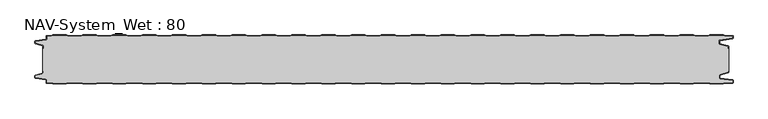
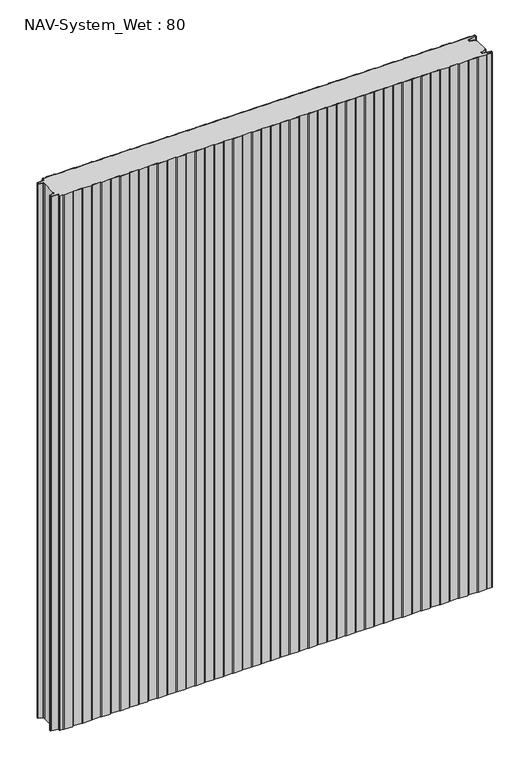
"""IFC4 building model written with IfcOpenShell, lengths in millimetres: plate geometry, NAV-System_Wet : 80."""

from ifc_helpers import new_model, si_unit, point, frame_2d, origin, origin_with_axes, place, context, project, spatial, polyline, circle_curve, trimmed, segment, composite_curve, outline, extrude, source, transform, mapped, element, save


def nav_system_wet_80_b2e88a2c(model_context):
    return source(origin(), model_context, "Body", "SweptSolid", [
        extrude(outline(composite_curve([segment(polyline([(430.3684327, -0.8), (427.3684327, 0.2), (405.3684327, 0.2), (402.3684327, -0.8), (380.3684327, -0.8), (377.3684327, 0.2), (355.3684327, 0.2), (352.3684327, -0.8), (330.3684327, -0.8), (327.3684327, 0.2), (305.3684327, 0.2), (302.3684327, -0.8), (280.3684327, -0.8), (277.3684327, 0.2), (255.3684327, 0.2), (252.3684327, -0.8), (230.3684327, -0.8), (227.3684327, 0.2), (205.3684327, 0.2), (202.3684327, -0.8), (180.3684327, -0.8), (177.3684327, 0.2), (155.3684327, 0.2), (152.3684327, -0.8), (130.3684327, -0.8), (127.3684327, 0.2), (105.3684327, 0.2), (102.3684327, -0.8), (80.3684327, -0.8), (77.3684327, 0.2), (55.3684327, 0.2), (52.3684327, -0.8), (30.3684327, -0.8), (27.3684327, 0.2), (5.3684327, 0.2), (2.3684327, -0.8), (-19.6315673, -0.8), (-22.6315673, 0.2), (-44.6315673, 0.2), (-47.6315673, -0.8), (-69.6315673, -0.8), (-72.6315673, 0.2), (-94.6315673, 0.2), (-97.6315673, -0.8), (-119.6315673, -0.8), (-122.6315673, 0.2), (-144.6315673, 0.2), (-147.6315673, -0.8), (-169.6315673, -0.8), (-172.6315673, 0.2), (-194.6315673, 0.2), (-197.6315673, -0.8), (-219.6315673, -0.8), (-222.6315673, 0.2), (-244.6315673, 0.2), (-247.6315673, -0.8), (-269.6315673, -0.8), (-272.6315673, 0.2), (-294.6315673, 0.2), (-297.6315673, -0.8), (-319.6315673, -0.8), (-322.6315673, 0.2), (-344.6315673, 0.2), (-347.6315673, -0.8), (-369.6315673, -0.8), (-372.6315673, 0.2), (-394.6315673, 0.2), (-397.6315673, -0.8), (-419.6315673, -0.8), (-422.6315673, 0.2), (-444.6315673, 0.2), (-447.6315673, -0.8), (-469.6315673, -0.8), (-472.6315673, 0.2), (-494.6315673, 0.2), (-497.6315673, -0.8), (-519.6315673, -0.8), (-522.6315673, 0.2), (-544.6315673, 0.2), (-547.6315673, -0.8), (-554.7, -0.8)]), True, "CONTINUOUS"), segment(trimmed(circle_curve(frame_2d((-554.7, -1.3)), 0.5), [point((-554.7, -0.8))], [point((-555.2, -1.3))], True, "CARTESIAN"), True, "CONTINUOUS"), segment(polyline([(-555.2, -1.3), (-555.2, -5.3964683)]), True, "CONTINUOUS"), segment(trimmed(circle_curve(frame_2d((-556.7, -5.3964683)), 1.5), [point((-555.2, -5.3964683))], [point((-556.4911207, -6.8818536))], False, "CARTESIAN"), True, "CONTINUOUS"), segment(polyline([(-556.4911207, -6.8818536), (-573.4352183, -9.2645825)]), True, "CONTINUOUS"), segment(trimmed(circle_curve(frame_2d((-573.3114909, -10.1444347)), 0.8885091), [point((-573.4352183, -9.2645825))], [point((-574.2, -10.1444347))], True, "CARTESIAN"), True, "CONTINUOUS"), segment(polyline([(-574.2, -10.1444347), (-574.2, -12.46995)]), True, "CONTINUOUS"), segment(trimmed(circle_curve(frame_2d((-573.6, -12.46995)), 0.6), [point((-574.2, -12.46995))], [point((-573.7552914, -13.0495055))], True, "CARTESIAN"), True, "CONTINUOUS"), segment(polyline([(-573.7552914, -13.0495055), (-562.3785632, -16.0978907)]), True, "CONTINUOUS"), segment(trimmed(circle_curve(frame_2d((-562.7667917, -17.5467794)), 1.5), [point((-562.3785632, -16.0978907))], [point((-561.2667917, -17.5467794))], False, "CARTESIAN"), True, "CONTINUOUS"), segment(polyline([(-561.2667917, -17.5467794), (-561.2667917, -21.0096505), (-562.0667917, -21.0096505), (-562.0667917, -17.5467794)]), True, "CONTINUOUS"), segment(trimmed(circle_curve(frame_2d((-562.7667917, -17.5467794)), 0.7), [point((-562.0667917, -17.5467794))], [point((-562.5856184, -16.8706313))], True, "CARTESIAN"), True, "CONTINUOUS"), segment(polyline([(-562.5856184, -16.8706313), (-574.0364648, -13.8023863)]), True, "CONTINUOUS"), segment(trimmed(circle_curve(frame_2d((-573.7, -12.5466827)), 1.3), [point((-574.0364648, -13.8023863))], [point((-575.0, -12.5466827))], False, "CARTESIAN"), True, "CONTINUOUS"), segment(polyline([(-575.0, -12.5466827), (-575.0, -9.8067363)]), True, "CONTINUOUS"), segment(trimmed(circle_curve(frame_2d((-573.7, -9.8067363)), 1.3), [point((-575.0, -9.8067363))], [point((-573.8810287, -8.5194024))], False, "CARTESIAN"), True, "CONTINUOUS"), segment(polyline([(-573.8810287, -8.5194024), (-556.602523, -6.0896481)]), True, "CONTINUOUS"), segment(trimmed(circle_curve(frame_2d((-556.7, -5.3964683)), 0.7), [point((-556.602523, -6.0896481))], [point((-556.0, -5.3964683))], True, "CARTESIAN"), True, "CONTINUOUS"), segment(polyline([(-556.0, -5.3964683), (-556.0, -1.3)]), True, "CONTINUOUS"), segment(trimmed(circle_curve(frame_2d((-554.7, -1.3)), 1.3), [point((-556.0, -1.3))], [point((-554.7, 0.0))], False, "CARTESIAN"), True, "CONTINUOUS"), segment(polyline([(-554.7, 0.0), (-547.7613895, 0.0), (-544.7613895, 1.0), (-522.5017452, 1.0), (-519.5017452, 0.0), (-497.7613895, 0.0), (-494.7613895, 1.0), (-472.5017452, 1.0), (-469.5017452, 0.0), (-447.7613895, 0.0), (-444.7613895, 1.0), (-422.5017452, 1.0), (-419.5017452, 0.0), (-397.7613895, 0.0), (-394.7613895, 1.0), (-372.5017452, 1.0), (-369.5017452, 0.0), (-347.7613895, 0.0), (-344.7613895, 1.0), (-322.5017452, 1.0), (-319.5017452, 0.0), (-297.7613895, 0.0), (-294.7613895, 1.0), (-272.5017452, 1.0), (-269.5017452, 0.0), (-247.7613895, 0.0), (-244.7613895, 1.0), (-222.5017452, 1.0), (-219.5017452, 0.0), (-197.7613895, 0.0), (-194.7613895, 1.0), (-172.5017452, 1.0), (-169.5017452, 0.0), (-147.7613895, 0.0), (-144.7613895, 1.0), (-122.5017452, 1.0), (-119.5017452, 0.0), (-97.7613895, 0.0), (-94.7613895, 1.0), (-72.5017452, 1.0), (-69.5017452, 0.0), (-47.7613895, 0.0), (-44.7613895, 1.0), (-22.5017452, 1.0), (-19.5017452, 0.0), (2.2386105, 0.0), (5.2386105, 1.0), (27.4982548, 1.0), (30.4982548, 0.0), (52.2386105, 0.0), (55.2386105, 1.0), (77.4982548, 1.0), (80.4982548, 0.0), (102.2386105, 0.0), (105.2386105, 1.0), (127.4982548, 1.0), (130.4982548, 0.0), (152.2386105, 0.0), (155.2386105, 1.0), (177.4982548, 1.0), (180.4982548, 0.0), (202.2386105, 0.0), (205.2386105, 1.0), (227.4982548, 1.0), (230.4982548, 0.0), (252.2386105, 0.0), (255.2386105, 1.0), (277.4982548, 1.0), (280.4982548, 0.0), (302.2386105, 0.0), (305.2386105, 1.0), (327.4982548, 1.0), (330.4982548, 0.0), (352.2386105, 0.0), (355.2386105, 1.0), (377.4982548, 1.0), (380.4982548, 0.0), (402.2386105, 0.0), (405.2386105, 1.0), (427.4982548, 1.0), (430.4982548, 0.0), (452.2386105, 0.0), (455.2386105, 1.0), (477.4982548, 1.0), (480.4982548, 0.0), (502.2386105, 0.0), (505.2386105, 1.0), (527.4982548, 1.0), (530.4982548, 0.0), (552.2386105, 0.0), (555.2386105, 1.0), (577.4982548, 1.0), (580.4982548, 0.0), (592.7, 0.0)]), True, "CONTINUOUS"), segment(trimmed(circle_curve(frame_2d((592.7, -1.3)), 1.3), [point((592.7, 0.0))], [point((594.0, -1.3))], False, "CARTESIAN"), True, "CONTINUOUS"), segment(polyline([(594.0, -1.3), (594.0, -4.3700191)]), True, "CONTINUOUS"), segment(trimmed(circle_curve(frame_2d((592.7, -4.3700191)), 1.3), [point((594.0, -4.3700191))], [point((592.8810287, -5.657353))], False, "CARTESIAN"), True, "CONTINUOUS"), segment(polyline([(592.8810287, -5.657353), (572.102523, -8.5792877)]), True, "CONTINUOUS"), segment(trimmed(circle_curve(frame_2d((572.2, -9.2724675)), 0.7), [point((572.102523, -8.5792877))], [point((571.5, -9.2724675))], True, "CARTESIAN"), True, "CONTINUOUS"), segment(polyline([(571.5, -9.2724675), (571.5, -13.0812756)]), True, "CONTINUOUS"), segment(trimmed(circle_curve(frame_2d((572.2, -13.0812756)), 0.7), [point((571.5, -13.0812756))], [point((572.0188267, -13.7574237))], True, "CARTESIAN"), True, "CONTINUOUS"), segment(polyline([(572.0188267, -13.7574237), (585.4205101, -17.3483939)]), True, "CONTINUOUS"), segment(trimmed(circle_curve(frame_2d((585.0840453, -18.6040975)), 1.3), [point((585.4205101, -17.3483939))], [point((586.3840453, -18.6040975))], False, "CARTESIAN"), True, "CONTINUOUS"), segment(polyline([(586.3840453, -18.6040975), (586.3840453, -21.0096505), (585.5840453, -21.0096505), (585.5840453, -18.6808302)]), True, "CONTINUOUS"), segment(trimmed(circle_curve(frame_2d((584.9840453, -18.6808302)), 0.6), [point((585.5840453, -18.6808302))], [point((585.1393367, -18.1012747))], True, "CARTESIAN"), True, "CONTINUOUS"), segment(polyline([(585.1393367, -18.1012747), (571.8117714, -14.5301644)]), True, "CONTINUOUS"), segment(trimmed(circle_curve(frame_2d((572.2, -13.0812756)), 1.5), [point((571.8117714, -14.5301644))], [point((570.7, -13.0812756))], False, "CARTESIAN"), True, "CONTINUOUS"), segment(polyline([(570.7, -13.0812756), (570.7, -9.2724675)]), True, "CONTINUOUS"), segment(trimmed(circle_curve(frame_2d((572.2, -9.2724675)), 1.5), [point((570.7, -9.2724675))], [point((571.9911207, -7.7870822))], False, "CARTESIAN"), True, "CONTINUOUS"), segment(polyline([(571.9911207, -7.7870822), (592.6835517, -4.8772516)]), True, "CONTINUOUS"), segment(trimmed(circle_curve(frame_2d((592.6, -4.2830975)), 0.6), [point((592.6835517, -4.8772516))], [point((593.2, -4.2830975))], True, "CARTESIAN"), True, "CONTINUOUS"), segment(polyline([(593.2, -4.2830975), (593.2, -1.3)]), True, "CONTINUOUS"), segment(trimmed(circle_curve(frame_2d((592.7, -1.3)), 0.5), [point((593.2, -1.3))], [point((592.7, -0.8))], True, "CARTESIAN"), True, "CONTINUOUS"), segment(polyline([(592.7, -0.8), (580.3684327, -0.8), (577.3684327, 0.2), (555.3684327, 0.2), (552.3684327, -0.8), (530.3684327, -0.8), (527.3684327, 0.2), (505.3684327, 0.2), (502.3684327, -0.8), (480.3684327, -0.8), (477.3684327, 0.2), (455.3684327, 0.2), (452.3684327, -0.8), (430.3684327, -0.8)]), True, "CONTINUOUS")], self_intersect=False)), origin_with_axes(), (0.0, 0.0, 1.0), 1500.0),
        extrude(outline(composite_curve([segment(polyline([(430.3684327, -0.8), (452.3684327, -0.8), (455.3684327, 0.2), (477.3684327, 0.2), (480.3684327, -0.8), (502.3684327, -0.8), (505.3684327, 0.2), (527.3684327, 0.2), (530.3684327, -0.8), (552.3684327, -0.8), (555.3684327, 0.2), (577.3684327, 0.2), (580.3684327, -0.8), (592.7, -0.8)]), True, "CONTINUOUS"), segment(trimmed(circle_curve(frame_2d((592.7, -1.3)), 0.5), [point((592.7, -0.8))], [point((593.2, -1.3))], False, "CARTESIAN"), True, "CONTINUOUS"), segment(polyline([(593.2, -1.3), (593.2, -4.2830975)]), True, "CONTINUOUS"), segment(trimmed(circle_curve(frame_2d((592.6, -4.2830975)), 0.6), [point((593.2, -4.2830975))], [point((592.6835517, -4.8772516))], False, "CARTESIAN"), True, "CONTINUOUS"), segment(polyline([(592.6835517, -4.8772516), (571.9911207, -7.7870822)]), True, "CONTINUOUS"), segment(trimmed(circle_curve(frame_2d((572.2, -9.2724675)), 1.5), [point((571.9911207, -7.7870822))], [point((570.7, -9.2724675))], True, "CARTESIAN"), True, "CONTINUOUS"), segment(polyline([(570.7, -9.2724675), (570.7, -13.0812756)]), True, "CONTINUOUS"), segment(trimmed(circle_curve(frame_2d((572.2, -13.0812756)), 1.5), [point((570.7, -13.0812756))], [point((571.8117714, -14.5301644))], True, "CARTESIAN"), True, "CONTINUOUS"), segment(polyline([(571.8117714, -14.5301644), (585.1393367, -18.1012747)]), True, "CONTINUOUS"), segment(trimmed(circle_curve(frame_2d((584.9840453, -18.6808302)), 0.6), [point((585.1393367, -18.1012747))], [point((585.5840453, -18.6808302))], False, "CARTESIAN"), True, "CONTINUOUS"), segment(polyline([(585.5840453, -18.6808302), (585.5840453, -21.0096505), (586.3840453, -21.0096505), (586.3840453, -58.9903495), (585.5840453, -58.9903495), (585.5840453, -61.3191698)]), True, "CONTINUOUS"), segment(trimmed(circle_curve(frame_2d((584.9840453, -61.3191698)), 0.6), [point((585.5840453, -61.3191698))], [point((585.1393367, -61.8987253))], False, "CARTESIAN"), True, "CONTINUOUS"), segment(polyline([(585.1393367, -61.8987253), (571.8117714, -65.4698356)]), True, "CONTINUOUS"), segment(trimmed(circle_curve(frame_2d((572.2, -66.9187244)), 1.5), [point((571.8117714, -65.4698356))], [point((570.7, -66.9187244))], True, "CARTESIAN"), True, "CONTINUOUS"), segment(polyline([(570.7, -66.9187244), (570.7, -70.7275325)]), True, "CONTINUOUS"), segment(trimmed(circle_curve(frame_2d((572.2, -70.7275325)), 1.5), [point((570.7, -70.7275325))], [point((571.9911207, -72.2129178))], True, "CARTESIAN"), True, "CONTINUOUS"), segment(polyline([(571.9911207, -72.2129178), (592.6835517, -75.1227484)]), True, "CONTINUOUS"), segment(trimmed(circle_curve(frame_2d((592.6, -75.7169025)), 0.6), [point((592.6835517, -75.1227484))], [point((593.2, -75.7169025))], False, "CARTESIAN"), True, "CONTINUOUS"), segment(polyline([(593.2, -75.7169025), (593.2, -78.7)]), True, "CONTINUOUS"), segment(trimmed(circle_curve(frame_2d((592.7, -78.7)), 0.5), [point((593.2, -78.7))], [point((592.7, -79.2))], False, "CARTESIAN"), True, "CONTINUOUS"), segment(polyline([(592.7, -79.2), (580.3684327, -79.2), (577.3684327, -80.2), (555.3684327, -80.2), (552.3684327, -79.2), (530.3684327, -79.2), (527.3684327, -80.2), (505.3684327, -80.2), (502.3684327, -79.2), (480.3684327, -79.2), (477.3684327, -80.2), (455.3684327, -80.2), (452.3684327, -79.2), (430.3684327, -79.2), (427.3684327, -80.2), (405.3684327, -80.2), (402.3684327, -79.2), (380.3684327, -79.2), (377.3684327, -80.2), (355.3684327, -80.2), (352.3684327, -79.2), (330.3684327, -79.2), (327.3684327, -80.2), (305.3684327, -80.2), (302.3684327, -79.2), (280.3684327, -79.2), (277.3684327, -80.2), (255.3684327, -80.2), (252.3684327, -79.2), (230.3684327, -79.2), (227.3684327, -80.2), (205.3684327, -80.2), (202.3684327, -79.2), (180.3684327, -79.2), (177.3684327, -80.2), (155.3684327, -80.2), (152.3684327, -79.2), (130.3684327, -79.2), (127.3684327, -80.2), (105.3684327, -80.2), (102.3684327, -79.2), (80.3684327, -79.2), (77.3684327, -80.2), (55.3684327, -80.2), (52.3684327, -79.2), (30.3684327, -79.2), (27.3684327, -80.2), (5.3684327, -80.2), (2.3684327, -79.2), (-19.6315673, -79.2), (-22.6315673, -80.2), (-44.6315673, -80.2), (-47.6315673, -79.2), (-69.6315673, -79.2), (-72.6315673, -80.2), (-94.6315673, -80.2), (-97.6315673, -79.2), (-119.6315673, -79.2), (-122.6315673, -80.2), (-144.6315673, -80.2), (-147.6315673, -79.2), (-169.6315673, -79.2), (-172.6315673, -80.2), (-194.6315673, -80.2), (-197.6315673, -79.2), (-219.6315673, -79.2), (-222.6315673, -80.2), (-244.6315673, -80.2), (-247.6315673, -79.2), (-269.6315673, -79.2), (-272.6315673, -80.2), (-294.6315673, -80.2), (-297.6315673, -79.2), (-319.6315673, -79.2), (-322.6315673, -80.2), (-344.6315673, -80.2), (-347.6315673, -79.2), (-369.6315673, -79.2), (-372.6315673, -80.2), (-394.6315673, -80.2), (-397.6315673, -79.2), (-419.6315673, -79.2), (-422.6315673, -80.2), (-444.6315673, -80.2), (-447.6315673, -79.2), (-469.6315673, -79.2), (-472.6315673, -80.2), (-494.6315673, -80.2), (-497.6315673, -79.2), (-519.6315673, -79.2), (-522.6315673, -80.2), (-544.6315673, -80.2), (-547.6315673, -79.2), (-554.7, -79.2)]), True, "CONTINUOUS"), segment(trimmed(circle_curve(frame_2d((-554.7, -78.7)), 0.5), [point((-554.7, -79.2))], [point((-555.2, -78.7))], False, "CARTESIAN"), True, "CONTINUOUS"), segment(polyline([(-555.2, -78.7), (-555.2, -74.6035317)]), True, "CONTINUOUS"), segment(trimmed(circle_curve(frame_2d((-556.7, -74.6035317)), 1.5), [point((-555.2, -74.6035317))], [point((-556.4911207, -73.1181464))], True, "CARTESIAN"), True, "CONTINUOUS"), segment(polyline([(-556.4911207, -73.1181464), (-573.4352183, -70.7354175)]), True, "CONTINUOUS"), segment(trimmed(circle_curve(frame_2d((-573.3114909, -69.8555653)), 0.8885091), [point((-573.4352183, -70.7354175))], [point((-574.2, -69.8555653))], False, "CARTESIAN"), True, "CONTINUOUS"), segment(polyline([(-574.2, -69.8555653), (-574.2, -67.53005)]), True, "CONTINUOUS"), segment(trimmed(circle_curve(frame_2d((-573.6, -67.53005)), 0.6), [point((-574.2, -67.53005))], [point((-573.7552914, -66.9504945))], False, "CARTESIAN"), True, "CONTINUOUS"), segment(polyline([(-573.7552914, -66.9504945), (-562.3785632, -63.9021093)]), True, "CONTINUOUS"), segment(trimmed(circle_curve(frame_2d((-562.7667917, -62.4532206)), 1.5), [point((-562.3785632, -63.9021093))], [point((-561.2667917, -62.4532206))], True, "CARTESIAN"), True, "CONTINUOUS"), segment(polyline([(-561.2667917, -62.4532206), (-561.2667917, -58.9903495), (-562.0667917, -58.9903495), (-562.0667917, -21.0096505), (-561.2667917, -21.0096505), (-561.2667917, -17.5467794)]), True, "CONTINUOUS"), segment(trimmed(circle_curve(frame_2d((-562.7667917, -17.5467794)), 1.5), [point((-561.2667917, -17.5467794))], [point((-562.3785632, -16.0978907))], True, "CARTESIAN"), True, "CONTINUOUS"), segment(polyline([(-562.3785632, -16.0978907), (-573.7552914, -13.0495055)]), True, "CONTINUOUS"), segment(trimmed(circle_curve(frame_2d((-573.6, -12.46995)), 0.6), [point((-573.7552914, -13.0495055))], [point((-574.2, -12.46995))], False, "CARTESIAN"), True, "CONTINUOUS"), segment(polyline([(-574.2, -12.46995), (-574.2, -10.1444347)]), True, "CONTINUOUS"), segment(trimmed(circle_curve(frame_2d((-573.3114909, -10.1444347)), 0.8885091), [point((-574.2, -10.1444347))], [point((-573.4352183, -9.2645825))], False, "CARTESIAN"), True, "CONTINUOUS"), segment(polyline([(-573.4352183, -9.2645825), (-556.4911207, -6.8818536)]), True, "CONTINUOUS"), segment(trimmed(circle_curve(frame_2d((-556.7, -5.3964683)), 1.5), [point((-556.4911207, -6.8818536))], [point((-555.2, -5.3964683))], True, "CARTESIAN"), True, "CONTINUOUS"), segment(polyline([(-555.2, -5.3964683), (-555.2, -1.3)]), True, "CONTINUOUS"), segment(trimmed(circle_curve(frame_2d((-554.7, -1.3)), 0.5), [point((-555.2, -1.3))], [point((-554.7, -0.8))], False, "CARTESIAN"), True, "CONTINUOUS"), segment(polyline([(-554.7, -0.8), (-547.6315673, -0.8), (-544.6315673, 0.2), (-522.6315673, 0.2), (-519.6315673, -0.8), (-497.6315673, -0.8), (-494.6315673, 0.2), (-472.6315673, 0.2), (-469.6315673, -0.8), (-447.6315673, -0.8), (-444.6315673, 0.2), (-422.6315673, 0.2), (-419.6315673, -0.8), (-397.6315673, -0.8), (-394.6315673, 0.2), (-372.6315673, 0.2), (-369.6315673, -0.8), (-347.6315673, -0.8), (-344.6315673, 0.2), (-322.6315673, 0.2), (-319.6315673, -0.8), (-297.6315673, -0.8), (-294.6315673, 0.2), (-272.6315673, 0.2), (-269.6315673, -0.8), (-247.6315673, -0.8), (-244.6315673, 0.2), (-222.6315673, 0.2), (-219.6315673, -0.8), (-197.6315673, -0.8), (-194.6315673, 0.2), (-172.6315673, 0.2), (-169.6315673, -0.8), (-147.6315673, -0.8), (-144.6315673, 0.2), (-122.6315673, 0.2), (-119.6315673, -0.8), (-97.6315673, -0.8), (-94.6315673, 0.2), (-72.6315673, 0.2), (-69.6315673, -0.8), (-47.6315673, -0.8), (-44.6315673, 0.2), (-22.6315673, 0.2), (-19.6315673, -0.8), (2.3684327, -0.8), (5.3684327, 0.2), (27.3684327, 0.2), (30.3684327, -0.8), (52.3684327, -0.8), (55.3684327, 0.2), (77.3684327, 0.2), (80.3684327, -0.8), (102.3684327, -0.8), (105.3684327, 0.2), (127.3684327, 0.2), (130.3684327, -0.8), (152.3684327, -0.8), (155.3684327, 0.2), (177.3684327, 0.2), (180.3684327, -0.8), (202.3684327, -0.8), (205.3684327, 0.2), (227.3684327, 0.2), (230.3684327, -0.8), (252.3684327, -0.8), (255.3684327, 0.2), (277.3684327, 0.2), (280.3684327, -0.8), (302.3684327, -0.8), (305.3684327, 0.2), (327.3684327, 0.2), (330.3684327, -0.8), (352.3684327, -0.8), (355.3684327, 0.2), (377.3684327, 0.2), (380.3684327, -0.8), (402.3684327, -0.8), (405.3684327, 0.2), (427.3684327, 0.2), (430.3684327, -0.8)]), True, "CONTINUOUS")], self_intersect=False)), origin_with_axes(), (0.0, 0.0, 1.0), 1500.0),
        extrude(outline(composite_curve([segment(polyline([(430.3684327, -79.2), (452.3684327, -79.2), (455.3684327, -80.2), (477.3684327, -80.2), (480.3684327, -79.2), (502.3684327, -79.2), (505.3684327, -80.2), (527.3684327, -80.2), (530.3684327, -79.2), (552.3684327, -79.2), (555.3684327, -80.2), (577.3684327, -80.2), (580.3684327, -79.2), (592.7, -79.2)]), True, "CONTINUOUS"), segment(trimmed(circle_curve(frame_2d((592.7, -78.7)), 0.5), [point((592.7, -79.2))], [point((593.2, -78.7))], True, "CARTESIAN"), True, "CONTINUOUS"), segment(polyline([(593.2, -78.7), (593.2, -75.7169025)]), True, "CONTINUOUS"), segment(trimmed(circle_curve(frame_2d((592.6, -75.7169025)), 0.6), [point((593.2, -75.7169025))], [point((592.6835517, -75.1227484))], True, "CARTESIAN"), True, "CONTINUOUS"), segment(polyline([(592.6835517, -75.1227484), (571.9911207, -72.2129178)]), True, "CONTINUOUS"), segment(trimmed(circle_curve(frame_2d((572.2, -70.7275325)), 1.5), [point((571.9911207, -72.2129178))], [point((570.7, -70.7275325))], False, "CARTESIAN"), True, "CONTINUOUS"), segment(polyline([(570.7, -70.7275325), (570.7, -66.9187244)]), True, "CONTINUOUS"), segment(trimmed(circle_curve(frame_2d((572.2, -66.9187244)), 1.5), [point((570.7, -66.9187244))], [point((571.8117714, -65.4698356))], False, "CARTESIAN"), True, "CONTINUOUS"), segment(polyline([(571.8117714, -65.4698356), (585.1393367, -61.8987253)]), True, "CONTINUOUS"), segment(trimmed(circle_curve(frame_2d((584.9840453, -61.3191698)), 0.6), [point((585.1393367, -61.8987253))], [point((585.5840453, -61.3191698))], True, "CARTESIAN"), True, "CONTINUOUS"), segment(polyline([(585.5840453, -61.3191698), (585.5840453, -58.9903495), (586.3840453, -58.9903495), (586.3840453, -61.3959025)]), True, "CONTINUOUS"), segment(trimmed(circle_curve(frame_2d((585.0840453, -61.3959025)), 1.3), [point((586.3840453, -61.3959025))], [point((585.4205101, -62.6516061))], False, "CARTESIAN"), True, "CONTINUOUS"), segment(polyline([(585.4205101, -62.6516061), (572.0188267, -66.2425763)]), True, "CONTINUOUS"), segment(trimmed(circle_curve(frame_2d((572.2, -66.9187244)), 0.7), [point((572.0188267, -66.2425763))], [point((571.5, -66.9187244))], True, "CARTESIAN"), True, "CONTINUOUS"), segment(polyline([(571.5, -66.9187244), (571.5, -70.7275325)]), True, "CONTINUOUS"), segment(trimmed(circle_curve(frame_2d((572.2, -70.7275325)), 0.7), [point((571.5, -70.7275325))], [point((572.102523, -71.4207123))], True, "CARTESIAN"), True, "CONTINUOUS"), segment(polyline([(572.102523, -71.4207123), (592.8810287, -74.342647)]), True, "CONTINUOUS"), segment(trimmed(circle_curve(frame_2d((592.7, -75.6299809)), 1.3), [point((592.8810287, -74.342647))], [point((594.0, -75.6299809))], False, "CARTESIAN"), True, "CONTINUOUS"), segment(polyline([(594.0, -75.6299809), (594.0, -78.7)]), True, "CONTINUOUS"), segment(trimmed(circle_curve(frame_2d((592.7, -78.7)), 1.3), [point((594.0, -78.7))], [point((592.7, -80.0))], False, "CARTESIAN"), True, "CONTINUOUS"), segment(polyline([(592.7, -80.0), (580.4982548, -80.0), (577.4982548, -81.0), (555.2386105, -81.0), (552.2386105, -80.0), (530.4982548, -80.0), (527.4982548, -81.0), (505.2386105, -81.0), (502.2386105, -80.0), (480.4982548, -80.0), (477.4982548, -81.0), (455.2386105, -81.0), (452.2386105, -80.0), (430.4982548, -80.0), (427.4982548, -81.0), (405.2386105, -81.0), (402.2386105, -80.0), (380.4982548, -80.0), (377.4982548, -81.0), (355.2386105, -81.0), (352.2386105, -80.0), (330.4982548, -80.0), (327.4982548, -81.0), (305.2386105, -81.0), (302.2386105, -80.0), (280.4982548, -80.0), (277.4982548, -81.0), (255.2386105, -81.0), (252.2386105, -80.0), (230.4982548, -80.0), (227.4982548, -81.0), (205.2386105, -81.0), (202.2386105, -80.0), (180.4982548, -80.0), (177.4982548, -81.0), (155.2386105, -81.0), (152.2386105, -80.0), (130.4982548, -80.0), (127.4982548, -81.0), (105.2386105, -81.0), (102.2386105, -80.0), (80.4982548, -80.0), (77.4982548, -81.0), (55.2386105, -81.0), (52.2386105, -80.0), (30.4982548, -80.0), (27.4982548, -81.0), (5.2386105, -81.0), (2.2386105, -80.0), (-19.5017452, -80.0), (-22.5017452, -81.0), (-44.7613895, -81.0), (-47.7613895, -80.0), (-69.5017452, -80.0), (-72.5017452, -81.0), (-94.7613895, -81.0), (-97.7613895, -80.0), (-119.5017452, -80.0), (-122.5017452, -81.0), (-144.7613895, -81.0), (-147.7613895, -80.0), (-169.5017452, -80.0), (-172.5017452, -81.0), (-194.7613895, -81.0), (-197.7613895, -80.0), (-219.5017452, -80.0), (-222.5017452, -81.0), (-244.7613895, -81.0), (-247.7613895, -80.0), (-269.5017452, -80.0), (-272.5017452, -81.0), (-294.7613895, -81.0), (-297.7613895, -80.0), (-319.5017452, -80.0), (-322.5017452, -81.0), (-344.7613895, -81.0), (-347.7613895, -80.0), (-369.5017452, -80.0), (-372.5017452, -81.0), (-394.7613895, -81.0), (-397.7613895, -80.0), (-419.5017452, -80.0), (-422.5017452, -81.0), (-444.7613895, -81.0), (-447.7613895, -80.0), (-469.5017452, -80.0), (-472.5017452, -81.0), (-494.7613895, -81.0), (-497.7613895, -80.0), (-519.5017452, -80.0), (-522.5017452, -81.0), (-544.7613895, -81.0), (-547.7613895, -80.0), (-554.7, -80.0)]), True, "CONTINUOUS"), segment(trimmed(circle_curve(frame_2d((-554.7, -78.7)), 1.3), [point((-554.7, -80.0))], [point((-556.0, -78.7))], False, "CARTESIAN"), True, "CONTINUOUS"), segment(polyline([(-556.0, -78.7), (-556.0, -74.6035317)]), True, "CONTINUOUS"), segment(trimmed(circle_curve(frame_2d((-556.7, -74.6035317)), 0.7), [point((-556.0, -74.6035317))], [point((-556.602523, -73.9103519))], True, "CARTESIAN"), True, "CONTINUOUS"), segment(polyline([(-556.602523, -73.9103519), (-573.8810287, -71.4805976)]), True, "CONTINUOUS"), segment(trimmed(circle_curve(frame_2d((-573.7, -70.1932637)), 1.3), [point((-573.8810287, -71.4805976))], [point((-575.0, -70.1932637))], False, "CARTESIAN"), True, "CONTINUOUS"), segment(polyline([(-575.0, -70.1932637), (-575.0, -67.4533173)]), True, "CONTINUOUS"), segment(trimmed(circle_curve(frame_2d((-573.7, -67.4533173)), 1.3), [point((-575.0, -67.4533173))], [point((-574.0364648, -66.1976137))], False, "CARTESIAN"), True, "CONTINUOUS"), segment(polyline([(-574.0364648, -66.1976137), (-562.5856184, -63.1293687)]), True, "CONTINUOUS"), segment(trimmed(circle_curve(frame_2d((-562.7667917, -62.4532206)), 0.7), [point((-562.5856184, -63.1293687))], [point((-562.0667917, -62.4532206))], True, "CARTESIAN"), True, "CONTINUOUS"), segment(polyline([(-562.0667917, -62.4532206), (-562.0667917, -58.9903495), (-561.2667917, -58.9903495), (-561.2667917, -62.4532206)]), True, "CONTINUOUS"), segment(trimmed(circle_curve(frame_2d((-562.7667917, -62.4532206)), 1.5), [point((-561.2667917, -62.4532206))], [point((-562.3785632, -63.9021093))], False, "CARTESIAN"), True, "CONTINUOUS"), segment(polyline([(-562.3785632, -63.9021093), (-573.7552914, -66.9504945)]), True, "CONTINUOUS"), segment(trimmed(circle_curve(frame_2d((-573.6, -67.53005)), 0.6), [point((-573.7552914, -66.9504945))], [point((-574.2, -67.53005))], True, "CARTESIAN"), True, "CONTINUOUS"), segment(polyline([(-574.2, -67.53005), (-574.2, -69.8555653)]), True, "CONTINUOUS"), segment(trimmed(circle_curve(frame_2d((-573.3114909, -69.8555653)), 0.8885091), [point((-574.2, -69.8555653))], [point((-573.4352183, -70.7354175))], True, "CARTESIAN"), True, "CONTINUOUS"), segment(polyline([(-573.4352183, -70.7354175), (-556.4911207, -73.1181464)]), True, "CONTINUOUS"), segment(trimmed(circle_curve(frame_2d((-556.7, -74.6035317)), 1.5), [point((-556.4911207, -73.1181464))], [point((-555.2, -74.6035317))], False, "CARTESIAN"), True, "CONTINUOUS"), segment(polyline([(-555.2, -74.6035317), (-555.2, -78.7)]), True, "CONTINUOUS"), segment(trimmed(circle_curve(frame_2d((-554.7, -78.7)), 0.5), [point((-555.2, -78.7))], [point((-554.7, -79.2))], True, "CARTESIAN"), True, "CONTINUOUS"), segment(polyline([(-554.7, -79.2), (-547.6315673, -79.2), (-544.6315673, -80.2), (-522.6315673, -80.2), (-519.6315673, -79.2), (-497.6315673, -79.2), (-494.6315673, -80.2), (-472.6315673, -80.2), (-469.6315673, -79.2), (-447.6315673, -79.2), (-444.6315673, -80.2), (-422.6315673, -80.2), (-419.6315673, -79.2), (-397.6315673, -79.2), (-394.6315673, -80.2), (-372.6315673, -80.2), (-369.6315673, -79.2), (-347.6315673, -79.2), (-344.6315673, -80.2), (-322.6315673, -80.2), (-319.6315673, -79.2), (-297.6315673, -79.2), (-294.6315673, -80.2), (-272.6315673, -80.2), (-269.6315673, -79.2), (-247.6315673, -79.2), (-244.6315673, -80.2), (-222.6315673, -80.2), (-219.6315673, -79.2), (-197.6315673, -79.2), (-194.6315673, -80.2), (-172.6315673, -80.2), (-169.6315673, -79.2), (-147.6315673, -79.2), (-144.6315673, -80.2), (-122.6315673, -80.2), (-119.6315673, -79.2), (-97.6315673, -79.2), (-94.6315673, -80.2), (-72.6315673, -80.2), (-69.6315673, -79.2), (-47.6315673, -79.2), (-44.6315673, -80.2), (-22.6315673, -80.2), (-19.6315673, -79.2), (2.3684327, -79.2), (5.3684327, -80.2), (27.3684327, -80.2), (30.3684327, -79.2), (52.3684327, -79.2), (55.3684327, -80.2), (77.3684327, -80.2), (80.3684327, -79.2), (102.3684327, -79.2), (105.3684327, -80.2), (127.3684327, -80.2), (130.3684327, -79.2), (152.3684327, -79.2), (155.3684327, -80.2), (177.3684327, -80.2), (180.3684327, -79.2), (202.3684327, -79.2), (205.3684327, -80.2), (227.3684327, -80.2), (230.3684327, -79.2), (252.3684327, -79.2), (255.3684327, -80.2), (277.3684327, -80.2), (280.3684327, -79.2), (302.3684327, -79.2), (305.3684327, -80.2), (327.3684327, -80.2), (330.3684327, -79.2), (352.3684327, -79.2), (355.3684327, -80.2), (377.3684327, -80.2), (380.3684327, -79.2), (402.3684327, -79.2), (405.3684327, -80.2), (427.3684327, -80.2), (430.3684327, -79.2)]), True, "CONTINUOUS")], self_intersect=False)), origin_with_axes(), (0.0, 0.0, 1.0), 1500.0),
    ])


if __name__ == "__main__":
    model = new_model("IFC4")
    model_context = context("Model", 3, world=origin())
    ifc_project = project(units=[si_unit("LENGTHUNIT", "METRE", prefix="MILLI")], contexts=[model_context])
    site = spatial("IfcSite", under=ifc_project)
    building = spatial("IfcBuilding", under=site)
    placement = place(None, origin())
    nav_system_wet_80_shape = nav_system_wet_80_b2e88a2c(model_context)
    element("IfcPlate", 1, ObjectType="NAV-System_Wet : 80", at=placement, inside=building, context=model_context, shape_type="MappedRepresentation", body=[
        mapped(nav_system_wet_80_shape, transform((0.0, 0.0, 0.0), x_axis=(1.0, 0.0, 0.0), y_axis=(0.0, 1.0, 0.0), z_axis=(0.0, 0.0, 1.0))),
    ])
    save(model, "model.ifc")
